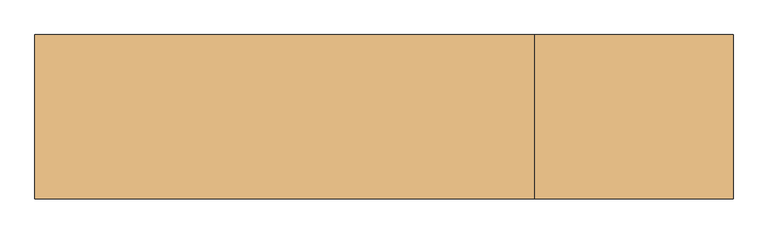
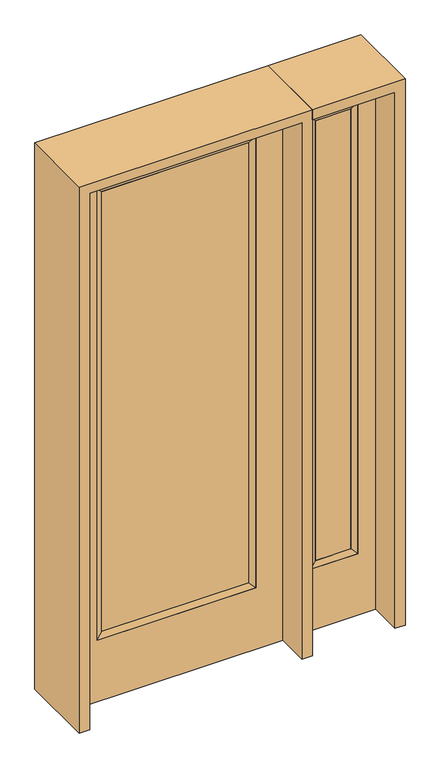
"""IFC4 building model written with IfcOpenShell, lengths in millimetres: door geometry."""

from ifc_helpers import new_model, si_unit, frame, origin, place, context, project, spatial, polyline, outline, extrude, faceted_brep, source, transform, mapped, element, save


def door_0c3141b4(model_context):
    return source(origin(), model_context, "Body", "SolidModel", [
        extrude(outline(polyline([(316.3824, -12.7039749), (-316.3824, -12.7039749), (-316.3824, 14.2875), (316.3824, 14.2875), (316.3824, -12.7039749)])), frame((0.0, 0.0, 304.8), z_axis=(0.0, 0.0, 1.0), x_axis=(1.0, 0.0, 0.0)), (0.0, 0.0, 1.0), 2000.25),
        faceted_brep([(316.3824, 14.2875, 2305.05), (341.7824, 22.225, 2330.45), (341.7824, 22.225, 279.4), (316.3824, 14.2875, 304.8), (341.7824, -22.225, 2330.45), (341.7824, -22.225, 279.4), (-341.7824, 22.225, 279.4), (-316.3824, 14.2875, 304.8), (316.3824, -12.7039749, 2305.05), (316.3824, -12.7039749, 304.8), (-316.3824, -12.7039749, 304.8), (-341.7824, -22.225, 279.4), (-341.7824, 22.225, 2330.45), (-316.3824, 14.2875, 2305.05), (-316.3824, -12.7039749, 2305.05), (-341.7824, -22.225, 2330.45)], [[[0, 1, 2, 3]], [[1, 4, 5, 2]], [[3, 2, 6, 7]], [[8, 0, 3, 9]], [[9, 3, 7, 10]], [[4, 8, 9, 5]], [[5, 9, 10, 11]], [[2, 5, 11, 6]], [[7, 6, 12, 13]], [[10, 7, 13, 14]], [[11, 10, 14, 15]], [[6, 11, 15, 12]], [[13, 12, 1, 0]], [[14, 13, 0, 8]], [[15, 14, 8, 4]], [[12, 15, 4, 1]]]),
        extrude(outline(polyline([(0.0, -457.2), (0.0, 457.2), (2438.4, 457.2), (2438.4, -457.2), (0.0, -457.2)]), holes=[polyline([(279.4, -341.7824), (2330.45, -341.7824), (2330.45, 341.7824), (279.4, 341.7824), (279.4, -341.7824)])]), frame((0.0, -22.225, 0.0), z_axis=(0.0, 1.0, 0.0), x_axis=(0.0, 0.0, 1.0)), (0.0, 0.0, 1.0), 44.45),
        faceted_brep([(577.85, 20.6375, 2330.45), (577.85, 20.6375, 279.4), (577.85, -20.6375, 279.4), (577.85, -20.6375, 2330.45), (603.25, -12.7, 304.8), (603.25, -12.7, 2305.05), (781.05, 20.6375, 279.4), (781.05, -20.6375, 279.4), (603.25, 12.7, 2305.05), (603.25, 12.7, 304.8), (755.65, 12.7, 304.8), (755.65, -12.7, 304.8), (781.05, 20.6375, 2330.45), (781.05, -20.6375, 2330.45), (755.65, 12.7, 2305.05), (755.65, -12.7, 2305.05)], [[[0, 1, 2, 3]], [[3, 2, 4, 5]], [[1, 6, 7, 2]], [[8, 9, 1, 0]], [[9, 10, 6, 1]], [[5, 4, 9, 8]], [[4, 11, 10, 9]], [[2, 7, 11, 4]], [[6, 12, 13, 7]], [[10, 14, 12, 6]], [[11, 15, 14, 10]], [[7, 13, 15, 11]], [[12, 0, 3, 13]], [[14, 8, 0, 12]], [[15, 5, 8, 14]], [[13, 3, 5, 15]]]),
        extrude(outline(polyline([(0.0, 857.25), (2438.4, 857.25), (2438.4, 501.65), (0.0, 501.65), (0.0, 857.25)]), holes=[polyline([(2330.45, 577.85), (2330.45, 781.05), (279.4, 781.05), (279.4, 577.85), (2330.45, 577.85)])]), frame((0.0, -20.6375, 0.0), z_axis=(0.0, 1.0, 0.0), x_axis=(0.0, 0.0, 1.0)), (0.0, 0.0, 1.0), 41.275),
        extrude(outline(polyline([(603.25, -12.7), (603.25, 12.7), (755.65, 12.7), (755.65, -12.7), (603.25, -12.7)])), frame((0.0, 0.0, 301.625), z_axis=(0.0, 0.0, 1.0), x_axis=(1.0, 0.0, 0.0)), (0.0, 0.0, 1.0), 2003.425),
        extrude(outline(polyline([(2482.85, -501.65), (0.0, -501.65), (0.0, -457.2), (2438.4, -457.2), (2438.4, 457.2), (0.0, 457.2), (0.0, 501.65), (2482.85, 501.65), (2482.85, -501.65)])), frame((0.0, -165.1, 0.0), z_axis=(0.0, 1.0, 0.0), x_axis=(0.0, 0.0, 1.0)), (0.0, 0.0, 1.0), 330.2),
        extrude(outline(polyline([(0.0, 857.25), (0.0, 901.7), (2482.85, 901.7), (2482.85, 501.65), (2438.4, 501.65), (2438.4, 857.25), (0.0, 857.25)])), frame((0.0, -165.1, 0.0), z_axis=(0.0, 1.0, 0.0), x_axis=(0.0, 0.0, 1.0)), (0.0, 0.0, 1.0), 330.2),
    ])


if __name__ == "__main__":
    model = new_model("IFC4")
    model_context = context("Model", 3, world=origin())
    ifc_project = project(units=[si_unit("LENGTHUNIT", "METRE", prefix="MILLI")], contexts=[model_context])
    site = spatial("IfcSite", under=ifc_project)
    building = spatial("IfcBuilding", under=site)
    placement = place(None, origin())
    door_shape = door_0c3141b4(model_context)
    element("IfcDoor", 1, at=placement, inside=building, context=model_context, shape_type="MappedRepresentation", body=[
        mapped(door_shape, transform((0.0, 0.0, 0.0), x_axis=(1.0, 0.0, 0.0), y_axis=(0.0, 1.0, 0.0), z_axis=(0.0, 0.0, 1.0))),
    ])
    save(model, "model.ifc")
